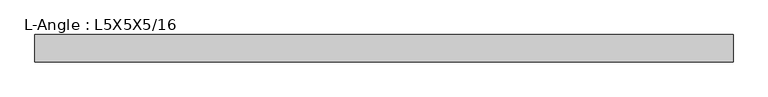
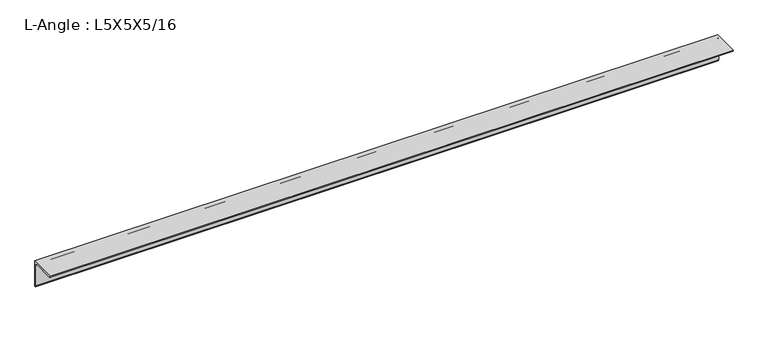
"""IFC4 building model written with IfcOpenShell, lengths in millimetres: beam geometry, L-Angle : L5X5X5/16."""

from ifc_helpers import new_model, si_unit, point, frame, frame_2d, origin, place, context, project, spatial, polyline, circle_curve, trimmed, segment, composite_curve, outline, extrude, source, transform, mapped, element, save


def l_angle_l5x5x5_16_2329c44f(model_context):
    return source(origin(), model_context, "Body", "SweptSolid", [
        extrude(outline(composite_curve([segment(polyline([(34.3296875, 34.3296875), (34.3296875, -92.6703125)]), True, "CONTINUOUS"), segment(trimmed(circle_curve(frame_2d((34.3296875, -84.7328125)), 7.9375), [point((34.3296875, -92.6703125))], [point((26.3921875, -84.7328125))], False, "CARTESIAN"), True, "CONTINUOUS"), segment(polyline([(26.3921875, -84.7328125), (26.3921875, 18.4546875)]), True, "CONTINUOUS"), segment(trimmed(circle_curve(frame_2d((18.4546875, 18.4546875)), 7.9375), [point((26.3921875, 18.4546875))], [point((18.4546875, 26.3921875))], True, "CARTESIAN"), True, "CONTINUOUS"), segment(polyline([(18.4546875, 26.3921875), (-84.7328125, 26.3921875)]), True, "CONTINUOUS"), segment(trimmed(circle_curve(frame_2d((-84.7328125, 34.3296875)), 7.9375), [point((-84.7328125, 26.3921875))], [point((-92.6703125, 34.3296875))], False, "CARTESIAN"), True, "CONTINUOUS"), segment(polyline([(-92.6703125, 34.3296875), (34.3296875, 34.3296875)]), True, "CONTINUOUS")], self_intersect=False)), frame((-1524.0, 0.0, 0.0), z_axis=(1.0, 0.0, 0.0), x_axis=(0.0, 1.0, 0.0)), (0.0, 0.0, 1.0), 3228.2401447),
    ])


if __name__ == "__main__":
    model = new_model("IFC4")
    model_context = context("Model", 3, world=origin())
    ifc_project = project(units=[si_unit("LENGTHUNIT", "METRE", prefix="MILLI")], contexts=[model_context])
    site = spatial("IfcSite", under=ifc_project)
    building = spatial("IfcBuilding", under=site)
    placement = place(None, origin())
    l_angle_l5x5x5_16_shape = l_angle_l5x5x5_16_2329c44f(model_context)
    element("IfcBeam", 1, ObjectType="L-Angle : L5X5X5/16", at=placement, inside=building, context=model_context, shape_type="MappedRepresentation", body=[
        mapped(l_angle_l5x5x5_16_shape, transform((0.0, 0.0, 0.0), x_axis=(1.0, 0.0, 0.0), y_axis=(0.0, 1.0, 0.0), z_axis=(0.0, 0.0, 1.0))),
    ])
    save(model, "model.ifc")
